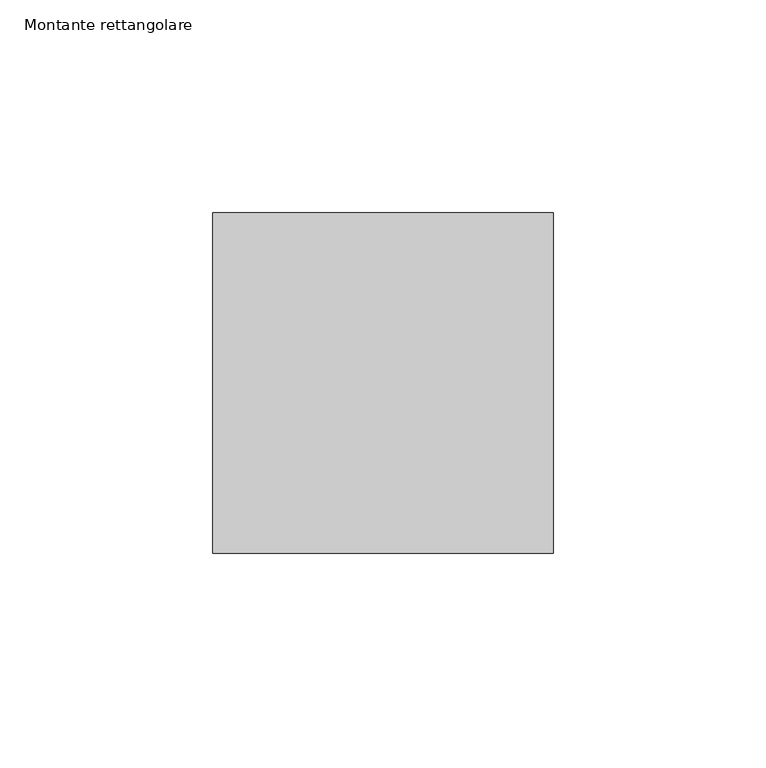
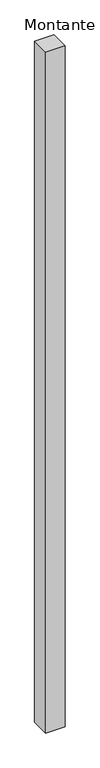
"""IFC4 building model written with IfcOpenShell, lengths in millimetres: member geometry, Montante rettangolare."""

from ifc_helpers import new_model, si_unit, frame, origin, place, context, project, spatial, polyline, outline, extrude, source, transform, mapped, element, save


def montante_rettangolare_92d63483(model_context):
    return source(origin(), model_context, "Body", "SweptSolid", [
        extrude(outline(polyline([(40.0, 40.0), (40.0, -40.0), (-40.0, -40.0), (-40.0, 40.0), (40.0, 40.0)])), frame((0.0, 0.0, -2999.4423852), z_axis=(0.0, 0.0, 1.0), x_axis=(1.0, 0.0, 0.0)), (0.0, 0.0, 1.0), 2999.4423852),
    ])


if __name__ == "__main__":
    model = new_model("IFC4")
    model_context = context("Model", 3, world=origin())
    ifc_project = project(units=[si_unit("LENGTHUNIT", "METRE", prefix="MILLI")], contexts=[model_context])
    site = spatial("IfcSite", under=ifc_project)
    building = spatial("IfcBuilding", under=site)
    placement = place(None, origin())
    montante_rettangolare_shape = montante_rettangolare_92d63483(model_context)
    element("IfcMember", 1, ObjectType="Montante rettangolare", at=placement, inside=building, context=model_context, shape_type="MappedRepresentation", body=[
        mapped(montante_rettangolare_shape, transform((0.0, 0.0, 0.0), x_axis=(1.0, 0.0, 0.0), y_axis=(0.0, 1.0, 0.0), z_axis=(0.0, 0.0, 1.0))),
    ])
    save(model, "model.ifc")
